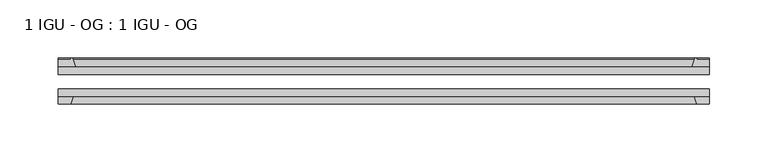
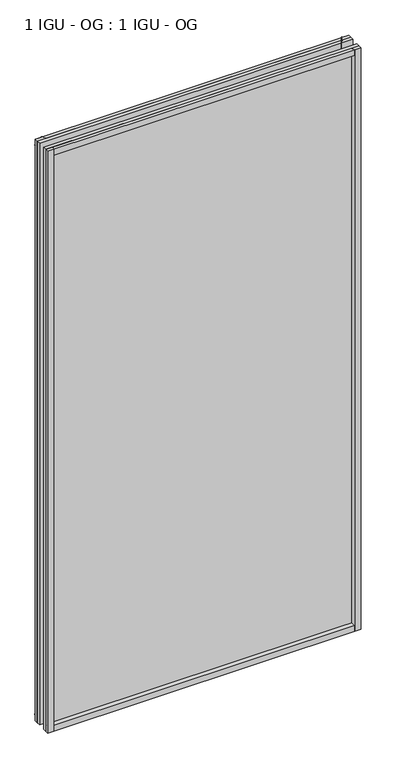
"""IFC4 building model written with IfcOpenShell, lengths in millimetres: plate geometry, 1 IGU - OG : 1 IGU - OG."""

from ifc_helpers import new_model, si_unit, point, frame, frame_2d, origin, place, context, project, spatial, polyline, circle_curve, trimmed, segment, composite_curve, outline, extrude, source, transform, mapped, element, save


def plate_1_igu_og_1_igu_og_1997bd45(model_context):
    return source(origin(), model_context, "Body", "SweptSolid", [
        extrude(outline(polyline([(280.9875, -31.75), (280.9875, -38.1), (-280.9875, -38.1), (-280.9875, -31.75), (280.9875, -31.75)])), frame((0.0, 0.0, -11.1125), z_axis=(0.0, 0.0, 1.0), x_axis=(1.0, 0.0, 0.0)), (0.0, 0.0, 1.0), 1101.725),
        extrude(outline(polyline([(-280.9875, -12.7), (280.9875, -12.7), (280.9875, -19.05), (-280.9875, -19.05), (-280.9875, -12.7)])), frame((0.0, 0.0, -11.1125), z_axis=(0.0, 0.0, 1.0), x_axis=(1.0, 0.0, 0.0)), (0.0, 0.0, 1.0), 1101.725),
        extrude(outline(composite_curve([segment(polyline([(-265.6517091, -12.7), (-280.9875, -12.7), (-280.9875, -6.35), (-269.875, -6.35), (-269.875, -4.7751661), (-268.945586, -4.7751661)]), True, "CONTINUOUS"), segment(trimmed(circle_curve(frame_2d((-268.945586, -5.5371661)), 0.762), [point((-268.945586, -4.7751661))], [point((-268.2033761, -5.364631))], False, "CARTESIAN"), True, "CONTINUOUS"), segment(trimmed(circle_curve(frame_2d((-232.5741579, 2.9177851)), 36.5792237), [point((-268.2033761, -5.364631))], [point((-265.6517091, -12.7))], True, "CARTESIAN"), True, "CONTINUOUS")], self_intersect=False)), frame((0.0, 0.0, -11.1125), z_axis=(0.0, 0.0, 1.0), x_axis=(1.0, 0.0, 0.0)), (0.0, 0.0, 1.0), 1101.725),
        extrude(outline(polyline([(-280.9875, -38.1), (-267.7697229, -38.1), (-269.875, -44.45), (-280.9875, -44.45), (-280.9875, -38.1)])), frame((0.0, 0.0, -11.1125), z_axis=(0.0, 0.0, 1.0), x_axis=(1.0, 0.0, 0.0)), (0.0, 0.0, 1.0), 1101.725),
        extrude(outline(composite_curve([segment(trimmed(circle_curve(frame_2d((268.945586, -5.5371661)), 0.762), [point((268.2033761, -5.364631))], [point((268.945586, -4.7751661))], False, "CARTESIAN"), True, "CONTINUOUS"), segment(polyline([(268.945586, -4.7751661), (269.875, -4.7751661), (269.875, -6.35), (280.9875, -6.35), (280.9875, -12.7), (265.6517091, -12.7)]), True, "CONTINUOUS"), segment(trimmed(circle_curve(frame_2d((232.5741579, 2.9177851)), 36.5792237), [point((265.6517091, -12.7))], [point((268.2033761, -5.364631))], True, "CARTESIAN"), True, "CONTINUOUS")], self_intersect=False)), frame((0.0, 0.0, -11.1125), z_axis=(0.0, 0.0, 1.0), x_axis=(1.0, 0.0, 0.0)), (0.0, 0.0, 1.0), 1101.725),
        extrude(outline(polyline([(267.7697229, -38.1), (280.9875, -38.1), (280.9875, -44.45), (269.875, -44.45), (267.7697229, -38.1)])), frame((0.0, 0.0, -11.1125), z_axis=(0.0, 0.0, 1.0), x_axis=(1.0, 0.0, 0.0)), (0.0, 0.0, 1.0), 1101.725),
        extrude(outline(composite_curve([segment(polyline([(-12.7, -11.1125), (-12.7, 4.2232909)]), True, "CONTINUOUS"), segment(trimmed(circle_curve(frame_2d((2.9177851, 37.3008421)), 36.5792237), [point((-12.7, 4.2232909))], [point((-5.364631, 1.6716239))], True, "CARTESIAN"), True, "CONTINUOUS"), segment(trimmed(circle_curve(frame_2d((-5.5371661, 0.929414)), 0.762), [point((-5.364631, 1.6716239))], [point((-4.7751661, 0.929414))], False, "CARTESIAN"), True, "CONTINUOUS"), segment(polyline([(-4.7751661, 0.929414), (-4.7751661, 0.0), (-6.35, 0.0), (-6.35, -11.1125), (-12.7, -11.1125)]), True, "CONTINUOUS")], self_intersect=False)), frame((-280.9875, 0.0, 0.0), z_axis=(1.0, 0.0, 0.0), x_axis=(0.0, 1.0, 0.0)), (0.0, 0.0, 1.0), 561.975),
        extrude(outline(polyline([(-38.1, 2.1052771), (-38.1, -11.1125), (-44.45, -11.1125), (-44.45, 0.0), (-38.1, 2.1052771)])), frame((-280.9875, 0.0, 0.0), z_axis=(1.0, 0.0, 0.0), x_axis=(0.0, 1.0, 0.0)), (0.0, 0.0, 1.0), 561.975),
        extrude(outline(composite_curve([segment(trimmed(circle_curve(frame_2d((2.9177851, 1042.1991578)), 36.5792237), [point((-5.364631, 1077.8283761))], [point((-12.7, 1075.2767091))], True, "CARTESIAN"), True, "CONTINUOUS"), segment(polyline([(-12.7, 1075.2767091), (-12.7, 1090.6125), (-6.35, 1090.6125), (-6.35, 1079.5), (-4.7751661, 1079.5), (-4.7751661, 1078.570586)]), True, "CONTINUOUS"), segment(trimmed(circle_curve(frame_2d((-5.5371661, 1078.570586)), 0.762), [point((-4.7751661, 1078.570586))], [point((-5.364631, 1077.8283761))], False, "CARTESIAN"), True, "CONTINUOUS")], self_intersect=False)), frame((-280.9875, 0.0, 0.0), z_axis=(1.0, 0.0, 0.0), x_axis=(0.0, 1.0, 0.0)), (0.0, 0.0, 1.0), 561.975),
        extrude(outline(polyline([(-38.1, 1090.6125), (-38.1, 1077.3947229), (-44.45, 1079.5), (-44.45, 1090.6125), (-38.1, 1090.6125)])), frame((-280.9875, 0.0, 0.0), z_axis=(1.0, 0.0, 0.0), x_axis=(0.0, 1.0, 0.0)), (0.0, 0.0, 1.0), 561.975),
    ])


if __name__ == "__main__":
    model = new_model("IFC4")
    model_context = context("Model", 3, world=origin())
    ifc_project = project(units=[si_unit("LENGTHUNIT", "METRE", prefix="MILLI")], contexts=[model_context])
    site = spatial("IfcSite", under=ifc_project)
    building = spatial("IfcBuilding", under=site)
    placement = place(None, origin())
    plate_1_igu_og_1_igu_og_shape = plate_1_igu_og_1_igu_og_1997bd45(model_context)
    element("IfcPlate", 1, ObjectType="1 IGU - OG : 1 IGU - OG", at=placement, inside=building, context=model_context, shape_type="MappedRepresentation", body=[
        mapped(plate_1_igu_og_1_igu_og_shape, transform((0.0, 0.0, 0.0), x_axis=(1.0, 0.0, 0.0), y_axis=(0.0, 1.0, 0.0), z_axis=(0.0, 0.0, 1.0))),
    ])
    save(model, "model.ifc")
